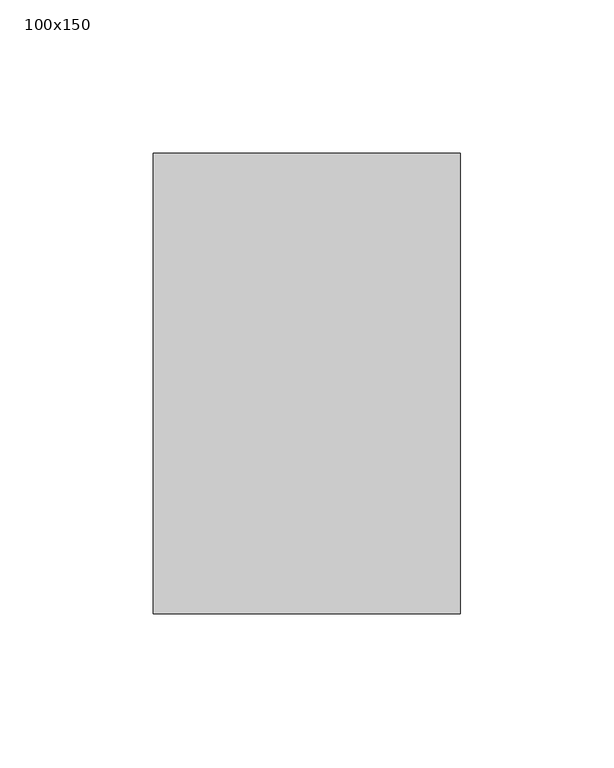
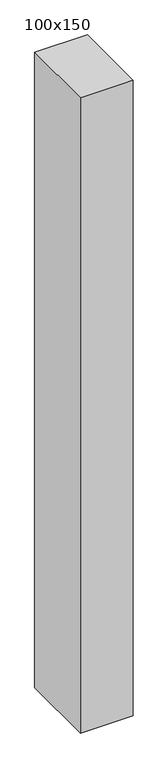
"""IFC4 building model written with IfcOpenShell, lengths in millimetres: member geometry, 100x150."""

import ifcopenshell
import ifcopenshell.guid

model = None  # the IFC model being written
_history = None  # IfcOwnerHistory: only IFC2X3 demands one
_inside = {}  # id of a spatial element -> (the spatial element, [elements in it])
_under = {}  # id of a project, library or spatial element -> (it, [spatial elements below it])
_declared = {}  # id of a project -> (the project, [libraries it declares])
_typed = {}  # id of a type object -> (the type object, [elements of that type])
_made_of = {}  # id of a material, layer set ... -> (it, [elements and type objects made of it])


def new_model(schema):
    """Start an empty IFC model of exactly this schema.

    Asked for "IFC4X3", IfcOpenShell would pick the latest addendum, in which some entities
    have other attributes; the version numbers below select the first issue.
    IFC2X3 requires an IfcOwnerHistory on every rooted entity: one is made here for all.
    """
    global model, _history
    if schema == "IFC4X3":
        model = ifcopenshell.file(schema_version=(4, 3, 0, 0))
    else:
        model = ifcopenshell.file(schema=schema)
    _inside.clear()
    _under.clear()
    _declared.clear()
    _typed.clear()
    _made_of.clear()
    _history = None
    if model.schema == "IFC2X3":
        org = make("IfcOrganization", Name="unknown")
        user = make(
            "IfcPersonAndOrganization",
            ThePerson=make("IfcPerson", FamilyName="unknown"),
            TheOrganization=org,
        )
        app = make(
            "IfcApplication",
            ApplicationDeveloper=org,
            Version="unknown",
            ApplicationFullName="unknown",
            ApplicationIdentifier="unknown",
        )
        _history = make(
            "IfcOwnerHistory",
            OwningUser=user,
            OwningApplication=app,
            ChangeAction="ADDED",
            CreationDate=0,
        )
    return model


def make(cls, **values):
    """One entity of the class cls with the attributes given. An attribute that is None is left unset."""
    return model.create_entity(
        cls, **{name: value for name, value in values.items() if value is not None}
    )


def rooted(cls, **values):
    """An entity with a GlobalId (a new one), such as an element, a storey or a relation."""
    return make(cls, GlobalId=ifcopenshell.guid.new(), OwnerHistory=_history, **values)


def si_unit(unit_type, name, prefix=None):
    """IfcSIUnit, for example si_unit("LENGTHUNIT", "METRE", prefix="MILLI")."""
    return make("IfcSIUnit", UnitType=unit_type, Prefix=prefix, Name=name)


def assignment(units):
    """IfcUnitAssignment: the units of a project."""
    return None if units is None else make("IfcUnitAssignment", Units=units)


def point(xyz):
    """IfcCartesianPoint."""
    return None if xyz is None else make("IfcCartesianPoint", Coordinates=xyz)


def direction(xyz):
    """IfcDirection."""
    return None if xyz is None else make("IfcDirection", DirectionRatios=xyz)


def frame(location, z_axis=None, x_axis=None):
    """IfcAxis2Placement3D, a coordinate frame: its origin and axes. An axis left out is left unset."""
    return make(
        "IfcAxis2Placement3D",
        Location=point(location),
        Axis=direction(z_axis),
        RefDirection=direction(x_axis),
    )


def origin():
    """The frame at (0, 0, 0) with its axes left unset."""
    return frame((0.0, 0.0, 0.0))


def place(relative_to, where):
    """IfcLocalPlacement: puts the frame where relative to a parent placement (None: the world)."""
    return make(
        "IfcLocalPlacement", PlacementRelTo=relative_to, RelativePlacement=where
    )


def context(
    kind, dimensions, precision=None, world=None, true_north=None, identifier=None
):
    """IfcGeometricRepresentationContext, for example the 3D "Model" context."""
    return make(
        "IfcGeometricRepresentationContext",
        ContextIdentifier=identifier,
        ContextType=kind,
        CoordinateSpaceDimension=dimensions,
        Precision=precision,
        WorldCoordinateSystem=world,
        TrueNorth=true_north,
    )


def project(units=None, contexts=None):
    """IfcProject with its units and contexts."""
    return rooted(
        "IfcProject",
        Name="project",
        RepresentationContexts=contexts,
        UnitsInContext=assignment(units),
    )


def spatial(cls, under=None, at=None, **own):
    """A site, building, storey or space (cls), placed at a placement, below another one or the project."""
    s = rooted(cls, ObjectPlacement=at, **own)
    if under is not None:
        _under.setdefault(under.id(), (under, []))[1].append(s)
    return s


def polyline(points):
    """IfcPolyline through the points."""
    return make("IfcPolyline", Points=[point(p) for p in points])


def outline(outer, holes=None, kind="AREA"):
    """IfcArbitraryClosedProfileDef: a profile drawn as a closed curve; with holes, ...WithVoids."""
    if holes is None:
        return make("IfcArbitraryClosedProfileDef", ProfileType=kind, OuterCurve=outer)
    return make(
        "IfcArbitraryProfileDefWithVoids",
        ProfileType=kind,
        OuterCurve=outer,
        InnerCurves=holes,
    )


def extrude(swept, where, along, depth):
    """IfcExtrudedAreaSolid: the profile swept, set in the frame where, extruded along a direction by depth."""
    return make(
        "IfcExtrudedAreaSolid",
        SweptArea=swept,
        Position=where,
        ExtrudedDirection=direction(along),
        Depth=depth,
    )


def shape(context_of_items, identifier, shape_type, items):
    """IfcShapeRepresentation: the items that make up one representation, for example the "Body"."""
    return make(
        "IfcShapeRepresentation",
        ContextOfItems=context_of_items,
        RepresentationIdentifier=identifier,
        RepresentationType=shape_type,
        Items=items,
    )


def source(mapping_origin, context_of_items, identifier, shape_type, items):
    """IfcRepresentationMap: a shape defined once, which mapped items show again and again."""
    return make(
        "IfcRepresentationMap",
        MappingOrigin=mapping_origin,
        MappedRepresentation=shape(context_of_items, identifier, shape_type, items),
    )


def transform(
    local_origin,
    x_axis=None,
    y_axis=None,
    z_axis=None,
    scale=None,
    scale2=None,
    scale3=None,
    uniform=True,
):
    """IfcCartesianTransformationOperator3D, or its non-uniform kind. x_axis, y_axis, z_axis: its Axis1, 2, 3."""
    if uniform:
        return make(
            "IfcCartesianTransformationOperator3D",
            Axis1=direction(x_axis),
            Axis2=direction(y_axis),
            LocalOrigin=point(local_origin),
            Scale=scale,
            Axis3=direction(z_axis),
        )
    return make(
        "IfcCartesianTransformationOperator3DnonUniform",
        Axis1=direction(x_axis),
        Axis2=direction(y_axis),
        LocalOrigin=point(local_origin),
        Scale=scale,
        Axis3=direction(z_axis),
        Scale2=scale2,
        Scale3=scale3,
    )


def mapped(mapping_source, mapping_target):
    """IfcMappedItem: shows the shape of a source again, moved by a transform."""
    return make(
        "IfcMappedItem", MappingSource=mapping_source, MappingTarget=mapping_target
    )


def made_of(thing, what):
    """Note that an element or type object is made of a material, layer set ...; save() writes the relation."""
    if what is not None:
        _made_of.setdefault(what.id(), (what, []))[1].append(thing)
    return thing


def element(
    cls,
    number,
    at=None,
    inside=None,
    cuts=None,
    type_object=None,
    material=None,
    context=None,
    identifier="Body",
    shape_type=None,
    held_by="IfcProductDefinitionShape",
    body=None,
    shapes=None,
    **own,
):
    """One element of the class cls, such as IfcWall. Its Tag is "e" and its number.

    at: its placement. inside: the storey or other place that contains it. cuts: it is an
    opening in that element (IfcRelVoidsElement). A single representation is given by context,
    identifier, shape_type and body (its items); several are given by shapes. held_by: the class
    of the entity that holds the representations. save() writes the other relations.
    """
    e = rooted(cls, Tag="e%d" % number, ObjectPlacement=at, **own)
    if body is not None:
        shapes = [shape(context, identifier, shape_type, body)]
    if shapes is not None:
        e.Representation = make(held_by, Representations=shapes)
    if inside is not None:
        _inside.setdefault(inside.id(), (inside, []))[1].append(e)
    if cuts is not None:
        rooted(
            "IfcRelVoidsElement", RelatingBuildingElement=cuts, RelatedOpeningElement=e
        )
    if type_object is not None:
        _typed.setdefault(type_object.id(), (type_object, []))[1].append(e)
    return made_of(e, material)


def aggregate(whole, parts):
    """IfcRelAggregates: a whole, such as a stair, and the parts it consists of."""
    return rooted("IfcRelAggregates", RelatingObject=whole, RelatedObjects=parts)


def save(model, path):
    """Write the relations noted so far, then the file.

    IfcRelAggregates (storeys below a building ...), IfcRelContainedInSpatialStructure (elements
    in a storey), IfcRelDefinesByType, IfcRelAssociatesMaterial and IfcRelDeclares: one each for
    every whole, place, type object, material and project.
    """
    for whole, parts in _under.values():
        aggregate(whole, parts)
    for where, things in _inside.values():
        rooted(
            "IfcRelContainedInSpatialStructure",
            RelatedElements=things,
            RelatingStructure=where,
        )
    for kind, things in _typed.values():
        rooted("IfcRelDefinesByType", RelatedObjects=things, RelatingType=kind)
    for what, things in _made_of.values():
        rooted("IfcRelAssociatesMaterial", RelatedObjects=things, RelatingMaterial=what)
    for by, libraries in _declared.values():
        rooted("IfcRelDeclares", RelatingContext=by, RelatedDefinitions=libraries)
    model.write(path)


def member_100x150_b54df6fd(model_context):
    return source(origin(), model_context, "Body", "SweptSolid", [
        extrude(outline(polyline([(50.0, 75.0), (50.0, -75.0), (-50.0, -75.0), (-50.0, 75.0), (50.0, 75.0)])), frame((0.0, 0.0, -1271.861911), z_axis=(0.0, 0.0, 1.0), x_axis=(1.0, 0.0, 0.0)), (0.0, 0.0, 1.0), 1271.861911),
    ])


if __name__ == "__main__":
    model = new_model("IFC4")
    model_context = context("Model", 3, world=origin())
    ifc_project = project(units=[si_unit("LENGTHUNIT", "METRE", prefix="MILLI")], contexts=[model_context])
    site = spatial("IfcSite", under=ifc_project)
    building = spatial("IfcBuilding", under=site)
    placement = place(None, origin())
    member_100x150_shape = member_100x150_b54df6fd(model_context)
    element("IfcMember", 1, ObjectType="100x150", at=placement, inside=building, context=model_context, shape_type="MappedRepresentation", body=[
        mapped(member_100x150_shape, transform((0.0, 0.0, 0.0), x_axis=(1.0, 0.0, 0.0), y_axis=(0.0, 1.0, 0.0), z_axis=(0.0, 0.0, 1.0))),
    ])
    save(model, "model.ifc")
